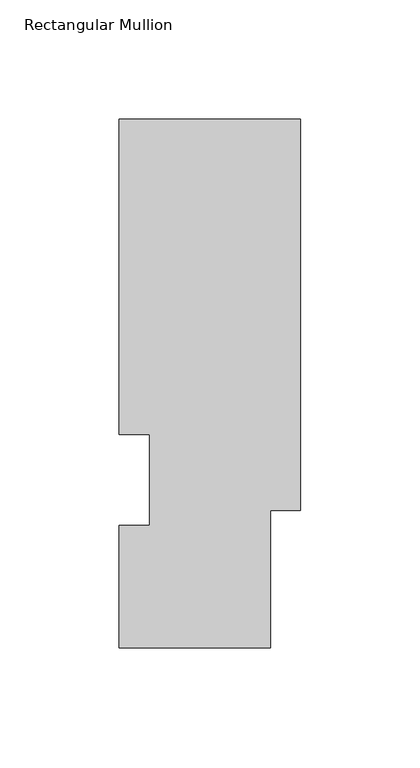
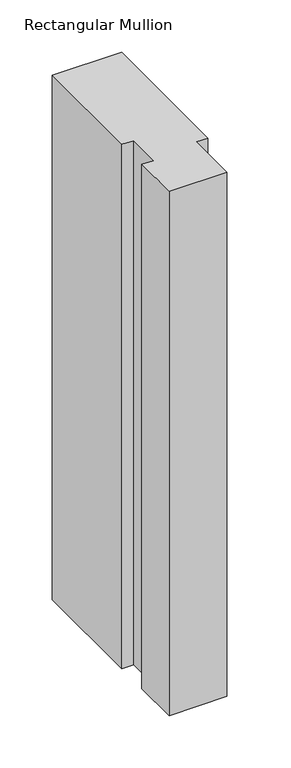
"""IFC4 building model written with IfcOpenShell, lengths in millimetres: member geometry, Rectangular Mullion."""

from ifc_helpers import new_model, si_unit, frame, origin, place, context, project, spatial, polyline, outline, extrude, source, transform, mapped, element, save


def rectangular_mullion_ab84ffff(model_context):
    return source(origin(), model_context, "Body", "SweptSolid", [
        extrude(outline(polyline([(0.0, 221.9539313), (0.0, 57.8445312), (-12.6999996, 57.8445312), (-12.6999996, 0.041758), (-76.1999996, 0.041758), (-76.1999996, 51.4945312), (-63.4943324, 51.4945312), (-63.4943324, 89.5945313), (-76.2, 89.5945313), (-76.2, 221.9539313), (0.0, 221.9539313)])), frame((0.0, 0.0, -609.6), z_axis=(0.0, 0.0, 1.0), x_axis=(1.0, 0.0, 0.0)), (0.0, 0.0, 1.0), 609.6),
    ])


if __name__ == "__main__":
    model = new_model("IFC4")
    model_context = context("Model", 3, world=origin())
    ifc_project = project(units=[si_unit("LENGTHUNIT", "METRE", prefix="MILLI")], contexts=[model_context])
    site = spatial("IfcSite", under=ifc_project)
    building = spatial("IfcBuilding", under=site)
    placement = place(None, origin())
    rectangular_mullion_shape = rectangular_mullion_ab84ffff(model_context)
    element("IfcMember", 1, ObjectType="Rectangular Mullion", at=placement, inside=building, context=model_context, shape_type="MappedRepresentation", body=[
        mapped(rectangular_mullion_shape, transform((0.0, 0.0, 0.0), x_axis=(1.0, 0.0, 0.0), y_axis=(0.0, 1.0, 0.0), z_axis=(0.0, 0.0, 1.0))),
    ])
    save(model, "model.ifc")
